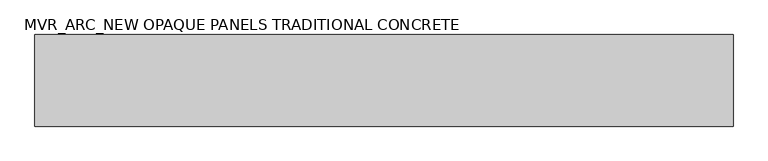
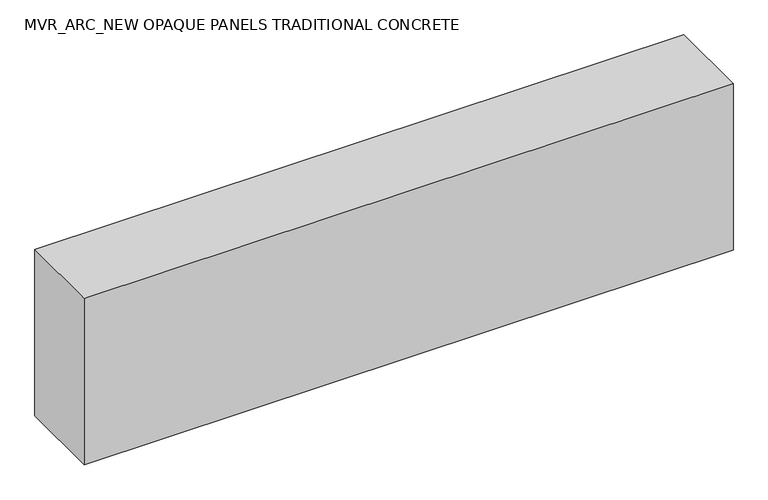
"""IFC4 building model written with IfcOpenShell, lengths in millimetres: plate geometry, MVR_ARC_NEW OPAQUE PANELS TRADITIONAL CONCRETE."""

from ifc_helpers import new_model, si_unit, origin, origin_with_axes, place, context, project, spatial, polyline, outline, extrude, source, transform, mapped, element, save


def mvr_arc_new_opaque_panels_traditional_concrete_f7f1156e(model_context):
    return source(origin(), model_context, "Body", "SweptSolid", [
        extrude(outline(polyline([(800.0, -150.0), (-800.0, -150.0), (-800.0, 60.0), (800.0, 60.0), (800.0, -150.0)])), origin_with_axes(), (0.0, 0.0, 1.0), 434.4),
    ])


if __name__ == "__main__":
    model = new_model("IFC4")
    model_context = context("Model", 3, world=origin())
    ifc_project = project(units=[si_unit("LENGTHUNIT", "METRE", prefix="MILLI")], contexts=[model_context])
    site = spatial("IfcSite", under=ifc_project)
    building = spatial("IfcBuilding", under=site)
    placement = place(None, origin())
    mvr_arc_new_opaque_panels_traditional_concrete_shape = mvr_arc_new_opaque_panels_traditional_concrete_f7f1156e(model_context)
    element("IfcPlate", 1, ObjectType="MVR_ARC_NEW OPAQUE PANELS TRADITIONAL CONCRETE", at=placement, inside=building, context=model_context, shape_type="MappedRepresentation", body=[
        mapped(mvr_arc_new_opaque_panels_traditional_concrete_shape, transform((0.0, 0.0, 0.0), x_axis=(1.0, 0.0, 0.0), y_axis=(0.0, 1.0, 0.0), z_axis=(0.0, 0.0, 1.0))),
    ])
    save(model, "model.ifc")
